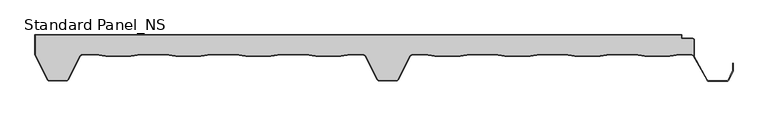
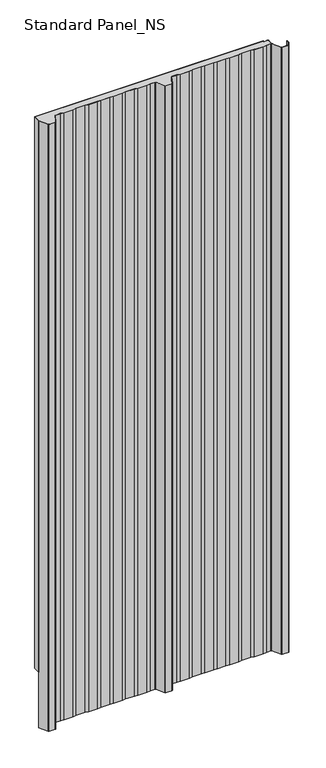
"""IFC4 building model written with IfcOpenShell, lengths in millimetres: proxy geometry, Standard Panel_NS."""

from ifc_helpers import new_model, si_unit, point, frame, frame_2d, origin, origin_with_axes, place, context, project, spatial, polyline, circle_curve, trimmed, segment, composite_curve, outline, extrude, source, transform, mapped, element, save


def standard_panel_ns_ce7bd79d(model_context):
    return source(origin(), model_context, "Body", "SweptSolid", [
        extrude(outline(composite_curve([segment(polyline([(463.3333678, -7.9776976), (463.3333678, -31.2827781)]), True, "CONTINUOUS"), segment(trimmed(circle_curve(frame_2d((460.1791882, -33.4020117)), 3.8), [point((463.3333678, -31.2827781))], [point((460.2255768, -29.6022949))], True, "CARTESIAN"), True, "CONTINUOUS"), segment(polyline([(460.2255768, -29.6022949), (442.3850007, -29.6022949), (427.5232716, -31.4), (389.5003906, -31.4), (374.6528383, -29.6040097), (336.3708239, -29.6040097), (321.5232716, -31.4), (283.5003906, -31.4), (268.6670151, -29.6057246), (230.356647, -29.6057246), (215.5232716, -31.4), (177.5003906, -31.4), (162.6811919, -29.6074394), (124.3424702, -29.6074394), (109.5232716, -31.4), (71.5003906, -31.4), (56.6929307, -29.6088594), (36.8490422, -29.6088594)]), True, "CONTINUOUS"), segment(trimmed(circle_curve(frame_2d((36.8490422, -33.4088594)), 3.8), [point((36.8490422, -29.6088594))], [point((33.4515652, -31.7067576))], True, "CARTESIAN"), True, "CONTINUOUS"), segment(polyline([(33.4515652, -31.7067576), (15.1133281, -67.389061)]), True, "CONTINUOUS"), segment(trimmed(circle_curve(frame_2d((13.1431912, -66.41)), 2.2), [point((15.1133281, -67.389061))], [point((13.1431912, -68.61))], False, "CARTESIAN"), True, "CONTINUOUS"), segment(polyline([(13.1431912, -68.61), (-13.1465337, -68.61)]), True, "CONTINUOUS"), segment(trimmed(circle_curve(frame_2d((-13.1465337, -66.41)), 2.2), [point((-13.1465337, -68.61))], [point((-15.1166702, -67.3890619))], False, "CARTESIAN"), True, "CONTINUOUS"), segment(polyline([(-15.1166702, -67.3890619), (-33.4593215, -31.697919)]), True, "CONTINUOUS"), segment(trimmed(circle_curve(frame_2d((-36.856799, -33.4000196)), 3.8), [point((-33.4593215, -31.697919))], [point((-36.856799, -29.6000196))], True, "CARTESIAN"), True, "CONTINUOUS"), segment(polyline([(-36.856799, -29.6000196), (-56.6231947, -29.6000196), (-71.5037331, -31.4), (-109.5266141, -31.4), (-124.4071525, -29.6000196), (-162.6231947, -29.6000196), (-177.5037331, -31.4), (-215.5266141, -31.4), (-230.4071525, -29.6000196), (-268.6231947, -29.6000196), (-283.5037331, -31.4), (-321.5266141, -31.4), (-336.4071525, -29.6000196), (-374.6231947, -29.6000196), (-389.5037331, -31.4), (-427.5266141, -31.4), (-442.4071525, -29.6000196), (-463.5629534, -29.6000196)]), True, "CONTINUOUS"), segment(trimmed(circle_curve(frame_2d((-463.5629534, -33.4000196)), 3.8), [point((-463.5629534, -29.6000196))], [point((-466.9621881, -31.7014308))], True, "CARTESIAN"), True, "CONTINUOUS"), segment(polyline([(-466.9621881, -31.7014308), (-484.8632284, -67.3198221)]), True, "CONTINUOUS"), segment(trimmed(circle_curve(frame_2d((-486.83184, -66.3376976)), 2.2), [point((-484.8632284, -67.3198221))], [point((-486.83184, -68.5376976))], False, "CARTESIAN"), True, "CONTINUOUS"), segment(polyline([(-486.83184, -68.5376976), (-513.1679785, -68.5376976)]), True, "CONTINUOUS"), segment(trimmed(circle_curve(frame_2d((-513.1679785, -66.3376976)), 2.2), [point((-513.1679785, -68.5376976))], [point((-515.1468491, -67.2989838))], False, "CARTESIAN"), True, "CONTINUOUS"), segment(polyline([(-515.1468491, -67.2989838), (-533.8689812, -29.987751), (-533.8689812, -0.8776976), (444.4044996, -0.8776976), (444.4044996, -5.8776976), (461.2333678, -5.8776976)]), True, "CONTINUOUS"), segment(trimmed(circle_curve(frame_2d((461.2333678, -7.9776976)), 2.1), [point((461.2333678, -5.8776976))], [point((463.3333678, -7.9776976))], False, "CARTESIAN"), True, "CONTINUOUS")], self_intersect=False)), origin_with_axes(), (0.0, 0.0, 1.0), 2500.0),
        extrude(outline(composite_curve([segment(polyline([(-321.5748232, -32.2), (-336.4553616, -30.4000196), (-374.5749856, -30.4000196), (-389.455524, -32.2), (-427.5748232, -32.2), (-442.4553616, -30.4000196), (-463.5629534, -30.4000196)]), True, "CONTINUOUS"), segment(trimmed(circle_curve(frame_2d((-463.5629534, -33.4000196)), 3.0), [point((-463.5629534, -30.4000196))], [point((-466.2469048, -32.0597193))], True, "CARTESIAN"), True, "CONTINUOUS"), segment(polyline([(-466.2469048, -32.0597193), (-484.1478886, -67.7003003)]), True, "CONTINUOUS"), segment(trimmed(circle_curve(frame_2d((-486.83184, -66.36)), 3.0), [point((-484.1478886, -67.7003003))], [point((-486.83184, -69.36))], False, "CARTESIAN"), True, "CONTINUOUS"), segment(polyline([(-486.83184, -69.36), (-513.1679785, -69.36)]), True, "CONTINUOUS"), segment(trimmed(circle_curve(frame_2d((-513.1679785, -66.36)), 3.0), [point((-513.1679785, -69.36))], [point((-515.8640556, -67.6757386))], False, "CARTESIAN"), True, "CONTINUOUS"), segment(polyline([(-515.8640556, -67.6757386), (-534.7689812, -29.9776976), (-533.8740229, -29.9776976), (-515.1468491, -67.3212862)]), True, "CONTINUOUS"), segment(trimmed(circle_curve(frame_2d((-513.1679785, -66.36)), 2.2), [point((-515.1468491, -67.3212862))], [point((-513.1679785, -68.56))], True, "CARTESIAN"), True, "CONTINUOUS"), segment(polyline([(-513.1679785, -68.56), (-486.83184, -68.56)]), True, "CONTINUOUS"), segment(trimmed(circle_curve(frame_2d((-486.83184, -66.36)), 2.2), [point((-486.83184, -68.56))], [point((-484.8632284, -67.3421244))], True, "CARTESIAN"), True, "CONTINUOUS"), segment(polyline([(-484.8632284, -67.3421244), (-466.9621881, -31.7014308)]), True, "CONTINUOUS"), segment(trimmed(circle_curve(frame_2d((-463.5629534, -33.4000196)), 3.8), [point((-466.9621881, -31.7014308))], [point((-463.5629534, -29.6000196))], False, "CARTESIAN"), True, "CONTINUOUS"), segment(polyline([(-463.5629534, -29.6000196), (-442.4071525, -29.6000196), (-427.5266141, -31.4), (-389.5037331, -31.4), (-374.6231947, -29.6000196), (-336.4071525, -29.6000196), (-321.5266141, -31.4), (-283.5037331, -31.4), (-268.6231947, -29.6000196), (-230.4071525, -29.6000196), (-215.5266141, -31.4), (-177.5037331, -31.4), (-162.6231947, -29.6000196), (-124.4071525, -29.6000196), (-109.5266141, -31.4), (-71.5037331, -31.4), (-56.6231947, -29.6000196), (-36.856799, -29.6000196)]), True, "CONTINUOUS"), segment(trimmed(circle_curve(frame_2d((-36.856799, -33.4000196)), 3.8), [point((-36.856799, -29.6000196))], [point((-33.4593215, -31.697919))], False, "CARTESIAN"), True, "CONTINUOUS"), segment(polyline([(-33.4593215, -31.697919), (-15.1166702, -67.3890619)]), True, "CONTINUOUS"), segment(trimmed(circle_curve(frame_2d((-13.1465337, -66.41)), 2.2), [point((-15.1166702, -67.3890619))], [point((-13.1465337, -68.61))], True, "CARTESIAN"), True, "CONTINUOUS"), segment(polyline([(-13.1465337, -68.61), (13.1431912, -68.61)]), True, "CONTINUOUS"), segment(trimmed(circle_curve(frame_2d((13.1431912, -66.41)), 2.2), [point((13.1431912, -68.61))], [point((15.1133281, -67.389061))], True, "CARTESIAN"), True, "CONTINUOUS"), segment(polyline([(15.1133281, -67.389061), (33.4515652, -31.7067576)]), True, "CONTINUOUS"), segment(trimmed(circle_curve(frame_2d((36.8490422, -33.4088594)), 3.8), [point((33.4515652, -31.7067576))], [point((36.8490422, -29.6088594))], False, "CARTESIAN"), True, "CONTINUOUS"), segment(polyline([(36.8490422, -29.6088594), (56.6929307, -29.6088594), (71.5003906, -31.4), (109.5232716, -31.4), (124.3424702, -29.6074394), (162.6811919, -29.6074394), (177.5003906, -31.4), (215.5232716, -31.4), (230.356647, -29.6057246), (268.6670151, -29.6057246), (283.5003906, -31.4), (321.5232716, -31.4), (336.3708239, -29.6040097), (374.6528383, -29.6040097), (389.5003906, -31.4), (427.5232716, -31.4), (442.3850007, -29.6022949), (460.1327996, -29.6022949)]), True, "CONTINUOUS"), segment(trimmed(circle_curve(frame_2d((460.1791882, -33.4020117)), 3.8), [point((460.1327996, -29.6022949))], [point((463.5049669, -31.5637527))], False, "CARTESIAN"), True, "CONTINUOUS"), segment(polyline([(463.5049669, -31.5637527), (484.4077107, -68.4591287)]), True, "CONTINUOUS"), segment(trimmed(circle_curve(frame_2d((486.3366684, -67.401243)), 2.2), [point((484.4077107, -68.4591287))], [point((486.3366684, -69.601243))], True, "CARTESIAN"), True, "CONTINUOUS"), segment(polyline([(486.3366684, -69.601243), (513.6856739, -69.601243)]), True, "CONTINUOUS"), segment(trimmed(circle_curve(frame_2d((513.6856739, -67.401243)), 2.2), [point((513.6856739, -69.601243))], [point((515.6539049, -68.3841299))], True, "CARTESIAN"), True, "CONTINUOUS"), segment(polyline([(515.6539049, -68.3841299), (522.1830897, -55.3094373)]), True, "CONTINUOUS"), segment(trimmed(circle_curve(frame_2d((520.2148587, -54.3265504)), 2.2), [point((522.1830897, -55.3094373))], [point((522.4148587, -54.3265504))], True, "CARTESIAN"), True, "CONTINUOUS"), segment(polyline([(522.4148587, -54.3265504), (522.4148587, -42.8571101), (523.2148587, -42.8571101), (523.2148587, -54.3265504)]), True, "CONTINUOUS"), segment(trimmed(circle_curve(frame_2d((520.2148587, -54.3265504)), 3.0), [point((523.2148587, -54.3265504))], [point((522.8988101, -55.6668507))], False, "CARTESIAN"), True, "CONTINUOUS"), segment(polyline([(522.8988101, -55.6668507), (516.3696253, -68.7415434)]), True, "CONTINUOUS"), segment(trimmed(circle_curve(frame_2d((513.6856739, -67.401243)), 3.0), [point((516.3696253, -68.7415434))], [point((513.6856739, -70.401243))], False, "CARTESIAN"), True, "CONTINUOUS"), segment(polyline([(513.6856739, -70.401243), (486.3366684, -70.401243)]), True, "CONTINUOUS"), segment(trimmed(circle_curve(frame_2d((486.3366684, -67.401243)), 3.0), [point((486.3366684, -70.401243))], [point((483.709141, -68.8490344))], False, "CARTESIAN"), True, "CONTINUOUS"), segment(polyline([(483.709141, -68.8490344), (462.8067156, -31.9542204)]), True, "CONTINUOUS"), segment(trimmed(circle_curve(frame_2d((460.1791882, -33.4020117)), 3.0), [point((462.8067156, -31.9542204))], [point((460.137971, -30.4022949))], True, "CARTESIAN"), True, "CONTINUOUS"), segment(polyline([(460.137971, -30.4022949), (442.4332098, -30.4022949), (427.5714807, -32.2), (389.4521815, -32.2), (374.6046292, -30.4040097), (336.419033, -30.4040097), (321.5714807, -32.2), (283.4521815, -32.2), (268.618806, -30.4057246), (230.4048562, -30.4057246), (215.5714807, -32.2), (177.4521815, -32.2), (162.6329828, -30.4074394), (124.3906793, -30.4074394), (109.5714807, -32.2), (71.4521815, -32.2), (56.6447216, -30.4088594), (36.8490422, -30.4088594)]), True, "CONTINUOUS"), segment(trimmed(circle_curve(frame_2d((36.8490422, -33.4088594)), 3.0), [point((36.8490422, -30.4088594))], [point((34.1650908, -32.0685591))], True, "CARTESIAN"), True, "CONTINUOUS"), segment(polyline([(34.1650908, -32.0685591), (15.8271426, -67.7503003)]), True, "CONTINUOUS"), segment(trimmed(circle_curve(frame_2d((13.1431912, -66.41)), 3.0), [point((15.8271426, -67.7503003))], [point((13.1431912, -69.41))], False, "CARTESIAN"), True, "CONTINUOUS"), segment(polyline([(13.1431912, -69.41), (-13.1465337, -69.41)]), True, "CONTINUOUS"), segment(trimmed(circle_curve(frame_2d((-13.1465337, -66.41)), 3.0), [point((-13.1465337, -69.41))], [point((-15.8304851, -67.7503003))], False, "CARTESIAN"), True, "CONTINUOUS"), segment(polyline([(-15.8304851, -67.7503003), (-34.1728476, -32.0597193)]), True, "CONTINUOUS"), segment(trimmed(circle_curve(frame_2d((-36.856799, -33.4000196)), 3.0), [point((-34.1728476, -32.0597193))], [point((-36.856799, -30.4000196))], True, "CARTESIAN"), True, "CONTINUOUS"), segment(polyline([(-36.856799, -30.4000196), (-56.5749856, -30.4000196), (-71.455524, -32.2), (-109.5748232, -32.2), (-124.4553616, -30.4000196), (-162.5749856, -30.4000196), (-177.455524, -32.2), (-215.5748232, -32.2), (-230.4553616, -30.4000196), (-268.5749856, -30.4000196), (-283.455524, -32.2), (-321.5748232, -32.2)]), True, "CONTINUOUS")], self_intersect=False)), frame((0.0, 0.0, -250.0), z_axis=(0.0, 0.0, 1.0), x_axis=(1.0, 0.0, 0.0)), (0.0, 0.0, 1.0), 2750.0),
        extrude(outline(composite_curve([segment(polyline([(-534.7689812, -29.9776976), (-534.7689812, 0.0), (445.3044996, 0.0), (445.3044996, -5.0), (461.2333678, -5.0)]), True, "CONTINUOUS"), segment(trimmed(circle_curve(frame_2d((461.2333678, -8.0)), 3.0), [point((461.2333678, -5.0))], [point((464.2333678, -8.0))], False, "CARTESIAN"), True, "CONTINUOUS"), segment(polyline([(464.2333678, -8.0), (464.2333678, -32.8494512), (463.3333678, -31.2827781), (463.3333678, -8.0)]), True, "CONTINUOUS"), segment(trimmed(circle_curve(frame_2d((461.2333678, -8.0)), 2.1), [point((463.3333678, -8.0))], [point((461.2333678, -5.9))], True, "CARTESIAN"), True, "CONTINUOUS"), segment(polyline([(461.2333678, -5.9), (444.4044996, -5.9), (444.4044996, -0.9), (-533.8689812, -0.9), (-533.8689812, -29.9776976), (-534.7689812, -29.9776976)]), True, "CONTINUOUS")], self_intersect=False)), origin_with_axes(), (0.0, 0.0, 1.0), 2500.0),
    ])


if __name__ == "__main__":
    model = new_model("IFC4")
    model_context = context("Model", 3, world=origin())
    ifc_project = project(units=[si_unit("LENGTHUNIT", "METRE", prefix="MILLI")], contexts=[model_context])
    site = spatial("IfcSite", under=ifc_project)
    building = spatial("IfcBuilding", under=site)
    placement = place(None, origin())
    standard_panel_ns_shape = standard_panel_ns_ce7bd79d(model_context)
    element("IfcBuildingElementProxy", 1, Name="Standard Panel_NS", ObjectType="Standard Panel_NS", at=placement, inside=building, context=model_context, shape_type="MappedRepresentation", body=[
        mapped(standard_panel_ns_shape, transform((0.0, 0.0, 0.0), x_axis=(1.0, 0.0, 0.0), y_axis=(0.0, 1.0, 0.0), z_axis=(0.0, 0.0, 1.0))),
    ])
    save(model, "model.ifc")
